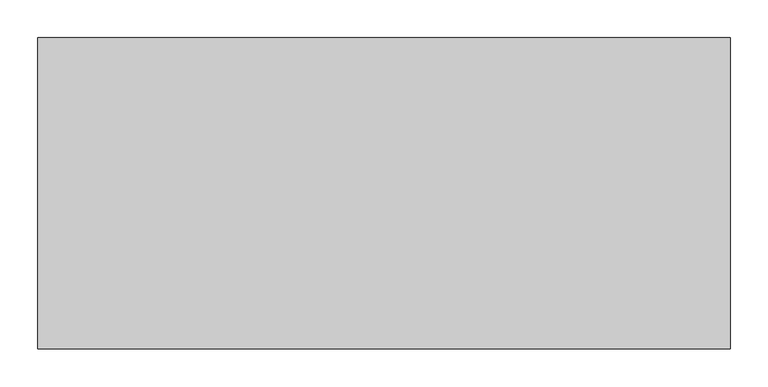
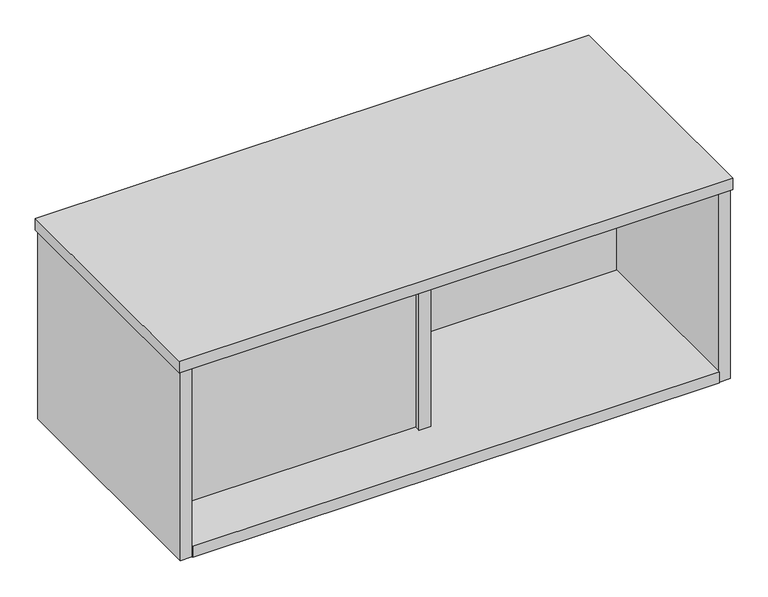
"""IFC4 building model written with IfcOpenShell, lengths in millimetres: furniture geometry."""

import ifcopenshell
import ifcopenshell.guid

model = None  # the IFC model being written
_history = None  # IfcOwnerHistory: only IFC2X3 demands one
_inside = {}  # id of a spatial element -> (the spatial element, [elements in it])
_under = {}  # id of a project, library or spatial element -> (it, [spatial elements below it])
_declared = {}  # id of a project -> (the project, [libraries it declares])
_typed = {}  # id of a type object -> (the type object, [elements of that type])
_made_of = {}  # id of a material, layer set ... -> (it, [elements and type objects made of it])


def new_model(schema):
    """Start an empty IFC model of exactly this schema.

    Asked for "IFC4X3", IfcOpenShell would pick the latest addendum, in which some entities
    have other attributes; the version numbers below select the first issue.
    IFC2X3 requires an IfcOwnerHistory on every rooted entity: one is made here for all.
    """
    global model, _history
    if schema == "IFC4X3":
        model = ifcopenshell.file(schema_version=(4, 3, 0, 0))
    else:
        model = ifcopenshell.file(schema=schema)
    _inside.clear()
    _under.clear()
    _declared.clear()
    _typed.clear()
    _made_of.clear()
    _history = None
    if model.schema == "IFC2X3":
        org = make("IfcOrganization", Name="unknown")
        user = make(
            "IfcPersonAndOrganization",
            ThePerson=make("IfcPerson", FamilyName="unknown"),
            TheOrganization=org,
        )
        app = make(
            "IfcApplication",
            ApplicationDeveloper=org,
            Version="unknown",
            ApplicationFullName="unknown",
            ApplicationIdentifier="unknown",
        )
        _history = make(
            "IfcOwnerHistory",
            OwningUser=user,
            OwningApplication=app,
            ChangeAction="ADDED",
            CreationDate=0,
        )
    return model


def make(cls, **values):
    """One entity of the class cls with the attributes given. An attribute that is None is left unset."""
    return model.create_entity(
        cls, **{name: value for name, value in values.items() if value is not None}
    )


def rooted(cls, **values):
    """An entity with a GlobalId (a new one), such as an element, a storey or a relation."""
    return make(cls, GlobalId=ifcopenshell.guid.new(), OwnerHistory=_history, **values)


def si_unit(unit_type, name, prefix=None):
    """IfcSIUnit, for example si_unit("LENGTHUNIT", "METRE", prefix="MILLI")."""
    return make("IfcSIUnit", UnitType=unit_type, Prefix=prefix, Name=name)


def assignment(units):
    """IfcUnitAssignment: the units of a project."""
    return None if units is None else make("IfcUnitAssignment", Units=units)


def point(xyz):
    """IfcCartesianPoint."""
    return None if xyz is None else make("IfcCartesianPoint", Coordinates=xyz)


def direction(xyz):
    """IfcDirection."""
    return None if xyz is None else make("IfcDirection", DirectionRatios=xyz)


def frame(location, z_axis=None, x_axis=None):
    """IfcAxis2Placement3D, a coordinate frame: its origin and axes. An axis left out is left unset."""
    return make(
        "IfcAxis2Placement3D",
        Location=point(location),
        Axis=direction(z_axis),
        RefDirection=direction(x_axis),
    )


def origin():
    """The frame at (0, 0, 0) with its axes left unset."""
    return frame((0.0, 0.0, 0.0))


def place(relative_to, where):
    """IfcLocalPlacement: puts the frame where relative to a parent placement (None: the world)."""
    return make(
        "IfcLocalPlacement", PlacementRelTo=relative_to, RelativePlacement=where
    )


def context(
    kind, dimensions, precision=None, world=None, true_north=None, identifier=None
):
    """IfcGeometricRepresentationContext, for example the 3D "Model" context."""
    return make(
        "IfcGeometricRepresentationContext",
        ContextIdentifier=identifier,
        ContextType=kind,
        CoordinateSpaceDimension=dimensions,
        Precision=precision,
        WorldCoordinateSystem=world,
        TrueNorth=true_north,
    )


def project(units=None, contexts=None):
    """IfcProject with its units and contexts."""
    return rooted(
        "IfcProject",
        Name="project",
        RepresentationContexts=contexts,
        UnitsInContext=assignment(units),
    )


def spatial(cls, under=None, at=None, **own):
    """A site, building, storey or space (cls), placed at a placement, below another one or the project."""
    s = rooted(cls, ObjectPlacement=at, **own)
    if under is not None:
        _under.setdefault(under.id(), (under, []))[1].append(s)
    return s


def polyline(points):
    """IfcPolyline through the points."""
    return make("IfcPolyline", Points=[point(p) for p in points])


def outline(outer, holes=None, kind="AREA"):
    """IfcArbitraryClosedProfileDef: a profile drawn as a closed curve; with holes, ...WithVoids."""
    if holes is None:
        return make("IfcArbitraryClosedProfileDef", ProfileType=kind, OuterCurve=outer)
    return make(
        "IfcArbitraryProfileDefWithVoids",
        ProfileType=kind,
        OuterCurve=outer,
        InnerCurves=holes,
    )


def extrude(swept, where, along, depth):
    """IfcExtrudedAreaSolid: the profile swept, set in the frame where, extruded along a direction by depth."""
    return make(
        "IfcExtrudedAreaSolid",
        SweptArea=swept,
        Position=where,
        ExtrudedDirection=direction(along),
        Depth=depth,
    )


def shape(context_of_items, identifier, shape_type, items):
    """IfcShapeRepresentation: the items that make up one representation, for example the "Body"."""
    return make(
        "IfcShapeRepresentation",
        ContextOfItems=context_of_items,
        RepresentationIdentifier=identifier,
        RepresentationType=shape_type,
        Items=items,
    )


def source(mapping_origin, context_of_items, identifier, shape_type, items):
    """IfcRepresentationMap: a shape defined once, which mapped items show again and again."""
    return make(
        "IfcRepresentationMap",
        MappingOrigin=mapping_origin,
        MappedRepresentation=shape(context_of_items, identifier, shape_type, items),
    )


def transform(
    local_origin,
    x_axis=None,
    y_axis=None,
    z_axis=None,
    scale=None,
    scale2=None,
    scale3=None,
    uniform=True,
):
    """IfcCartesianTransformationOperator3D, or its non-uniform kind. x_axis, y_axis, z_axis: its Axis1, 2, 3."""
    if uniform:
        return make(
            "IfcCartesianTransformationOperator3D",
            Axis1=direction(x_axis),
            Axis2=direction(y_axis),
            LocalOrigin=point(local_origin),
            Scale=scale,
            Axis3=direction(z_axis),
        )
    return make(
        "IfcCartesianTransformationOperator3DnonUniform",
        Axis1=direction(x_axis),
        Axis2=direction(y_axis),
        LocalOrigin=point(local_origin),
        Scale=scale,
        Axis3=direction(z_axis),
        Scale2=scale2,
        Scale3=scale3,
    )


def mapped(mapping_source, mapping_target):
    """IfcMappedItem: shows the shape of a source again, moved by a transform."""
    return make(
        "IfcMappedItem", MappingSource=mapping_source, MappingTarget=mapping_target
    )


def made_of(thing, what):
    """Note that an element or type object is made of a material, layer set ...; save() writes the relation."""
    if what is not None:
        _made_of.setdefault(what.id(), (what, []))[1].append(thing)
    return thing


def element(
    cls,
    number,
    at=None,
    inside=None,
    cuts=None,
    type_object=None,
    material=None,
    context=None,
    identifier="Body",
    shape_type=None,
    held_by="IfcProductDefinitionShape",
    body=None,
    shapes=None,
    **own,
):
    """One element of the class cls, such as IfcWall. Its Tag is "e" and its number.

    at: its placement. inside: the storey or other place that contains it. cuts: it is an
    opening in that element (IfcRelVoidsElement). A single representation is given by context,
    identifier, shape_type and body (its items); several are given by shapes. held_by: the class
    of the entity that holds the representations. save() writes the other relations.
    """
    e = rooted(cls, Tag="e%d" % number, ObjectPlacement=at, **own)
    if body is not None:
        shapes = [shape(context, identifier, shape_type, body)]
    if shapes is not None:
        e.Representation = make(held_by, Representations=shapes)
    if inside is not None:
        _inside.setdefault(inside.id(), (inside, []))[1].append(e)
    if cuts is not None:
        rooted(
            "IfcRelVoidsElement", RelatingBuildingElement=cuts, RelatedOpeningElement=e
        )
    if type_object is not None:
        _typed.setdefault(type_object.id(), (type_object, []))[1].append(e)
    return made_of(e, material)


def aggregate(whole, parts):
    """IfcRelAggregates: a whole, such as a stair, and the parts it consists of."""
    return rooted("IfcRelAggregates", RelatingObject=whole, RelatedObjects=parts)


def save(model, path):
    """Write the relations noted so far, then the file.

    IfcRelAggregates (storeys below a building ...), IfcRelContainedInSpatialStructure (elements
    in a storey), IfcRelDefinesByType, IfcRelAssociatesMaterial and IfcRelDeclares: one each for
    every whole, place, type object, material and project.
    """
    for whole, parts in _under.values():
        aggregate(whole, parts)
    for where, things in _inside.values():
        rooted(
            "IfcRelContainedInSpatialStructure",
            RelatedElements=things,
            RelatingStructure=where,
        )
    for kind, things in _typed.values():
        rooted("IfcRelDefinesByType", RelatedObjects=things, RelatingType=kind)
    for what, things in _made_of.values():
        rooted("IfcRelAssociatesMaterial", RelatedObjects=things, RelatingMaterial=what)
    for by, libraries in _declared.values():
        rooted("IfcRelDeclares", RelatingContext=by, RelatedDefinitions=libraries)
    model.write(path)


def furniture_66b52727(model_context):
    return source(origin(), model_context, "Body", "SweptSolid", [
        extrude(outline(polyline([(896.0103885, 107.2006961), (896.0103885, 87.8966963), (457.2, 87.8966963), (457.2, 107.2006961), (896.0103885, 107.2006961)])), frame((0.0, 0.0, 818.9188368), z_axis=(0.0, 0.0, 1.0), x_axis=(1.0, 0.0, 0.0)), (0.0, 0.0, 1.0), 309.8291988),
        extrude(outline(polyline([(453.0343931, -107.2006961), (15.3415997, -107.2006961), (15.3415997, -87.8876428), (453.0343931, -87.8876428), (453.0343931, -107.2006961)])), frame((0.0, 0.0, 818.9188368), z_axis=(0.0, 0.0, 1.0), x_axis=(1.0, 0.0, 0.0)), (0.0, 0.0, 1.0), 309.8291988),
        extrude(outline(polyline([(465.3279922, -116.4462961), (446.0239925, -116.4462961), (446.0239925, 116.4462961), (465.3279922, 116.4462961), (465.3279922, -116.4462961)])), frame((0.0, 0.0, 818.9188368), z_axis=(0.0, 0.0, 1.0), x_axis=(1.0, 0.0, 0.0)), (0.0, 0.0, 1.0), 309.8291988),
        extrude(outline(polyline([(888.9999879, -205.0922961), (22.3519991, -205.0922961), (22.3519991, 205.0922961), (888.9999879, 205.0922961), (888.9999879, -205.0922961)])), frame((0.0, 0.0, 799.6148552), z_axis=(0.0, 0.0, 1.0), x_axis=(1.0, 0.0, 0.0)), (0.0, 0.0, 1.0), 19.3039816),
        extrude(outline(polyline([(908.3040058, -203.2), (888.9999879, -203.2), (888.9999879, 203.2), (908.3040058, 203.2), (908.3040058, -203.2)])), frame((0.0, 0.0, 799.6148552), z_axis=(0.0, 0.0, 1.0), x_axis=(1.0, 0.0, 0.0)), (0.0, 0.0, 1.0), 329.1331804),
        extrude(outline(polyline([(22.3519991, -203.2), (3.0479999, -203.2), (3.0479999, 203.2), (22.3519991, 203.2), (22.3519991, -203.2)])), frame((0.0, 0.0, 799.6148552), z_axis=(0.0, 0.0, 1.0), x_axis=(1.0, 0.0, 0.0)), (0.0, 0.0, 1.0), 329.1331804),
        extrude(outline(polyline([(911.3520029, 205.0922961), (911.3520029, -205.0922961), (0.0, -205.0922961), (0.0, 205.0922961), (911.3520029, 205.0922961)])), frame((0.0, 0.0, 1128.7480356), z_axis=(0.0, 0.0, 1.0), x_axis=(1.0, 0.0, 0.0)), (0.0, 0.0, 1.0), 20.1168196),
    ])


if __name__ == "__main__":
    model = new_model("IFC4")
    model_context = context("Model", 3, world=origin())
    ifc_project = project(units=[si_unit("LENGTHUNIT", "METRE", prefix="MILLI")], contexts=[model_context])
    site = spatial("IfcSite", under=ifc_project)
    building = spatial("IfcBuilding", under=site)
    placement = place(None, origin())
    furniture_shape = furniture_66b52727(model_context)
    element("IfcFurniture", 1, at=placement, inside=building, context=model_context, shape_type="MappedRepresentation", body=[
        mapped(furniture_shape, transform((0.0, 0.0, 0.0), x_axis=(1.0, 0.0, 0.0), y_axis=(0.0, 1.0, 0.0), z_axis=(0.0, 0.0, 1.0))),
    ])
    save(model, "model.ifc")
